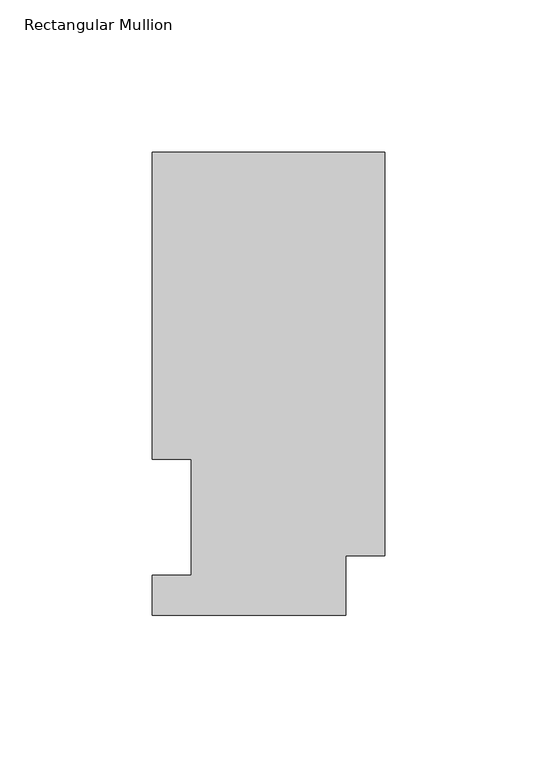
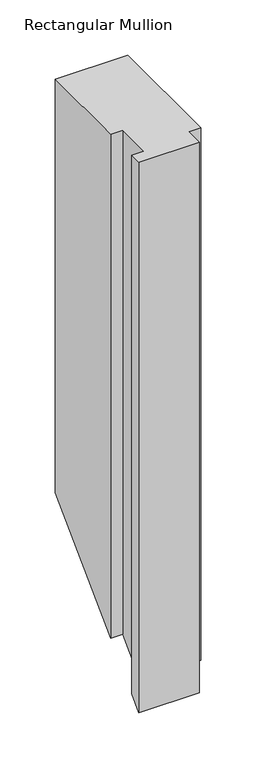
"""IFC4 building model written with IfcOpenShell, lengths in millimetres: member geometry, Rectangular Mullion."""

from ifc_helpers import new_model, si_unit, origin, place, context, project, spatial, faceted_brep, source, transform, mapped, element, save


def rectangular_mullion_6d215bd9(model_context):
    return source(origin(), model_context, "Body", "Brep", [
        faceted_brep([(-76.2000004, 151.9054938, 0.0), (-76.2000004, 51.2960938, 0.0), (-63.4943324, 51.2960937, 0.0), (-63.4943324, 13.1960937, 0.0), (-76.1943324, 13.1960937, 0.0), (-76.1943324, 0.0134937, 0.0), (-12.7000004, 0.0134937, 0.0), (-12.7000004, 19.5460937, 0.0), (0.0, 19.5460937, 0.0), (0.0, 151.9054938, 0.0), (-76.2000004, 151.9054938, -457.6945062), (-76.2000004, 51.2960938, -558.3039062), (-63.4943324, 51.2960937, -558.3039062), (-63.4943324, 13.1960937, -596.4039062), (-76.1943324, 13.1960937, -596.4039062), (-76.1943324, 0.0134937, -609.5865062), (-12.7000004, 0.0134937, -609.5865062), (-12.7000004, 19.5460937, -590.0539063), (0.0, 19.5460937, -590.0539063), (0.0, 151.9054938, -457.6945062)], [[[0, 1, 2, 3, 4, 5, 6, 7, 8, 9]], [[1, 0, 10, 11]], [[2, 1, 11, 12]], [[3, 2, 12, 13]], [[4, 3, 13, 14]], [[5, 4, 14, 15]], [[6, 5, 15, 16]], [[7, 6, 16, 17]], [[8, 7, 17, 18]], [[9, 8, 18, 19]], [[0, 9, 19, 10]], [[10, 19, 18, 17, 16, 15, 14, 13, 12, 11]]]),
    ])


if __name__ == "__main__":
    model = new_model("IFC4")
    model_context = context("Model", 3, world=origin())
    ifc_project = project(units=[si_unit("LENGTHUNIT", "METRE", prefix="MILLI")], contexts=[model_context])
    site = spatial("IfcSite", under=ifc_project)
    building = spatial("IfcBuilding", under=site)
    placement = place(None, origin())
    rectangular_mullion_shape = rectangular_mullion_6d215bd9(model_context)
    element("IfcMember", 1, ObjectType="Rectangular Mullion", at=placement, inside=building, context=model_context, shape_type="MappedRepresentation", body=[
        mapped(rectangular_mullion_shape, transform((0.0, 0.0, 0.0), x_axis=(1.0, 0.0, 0.0), y_axis=(0.0, 1.0, 0.0), z_axis=(0.0, 0.0, 1.0))),
    ])
    save(model, "model.ifc")
